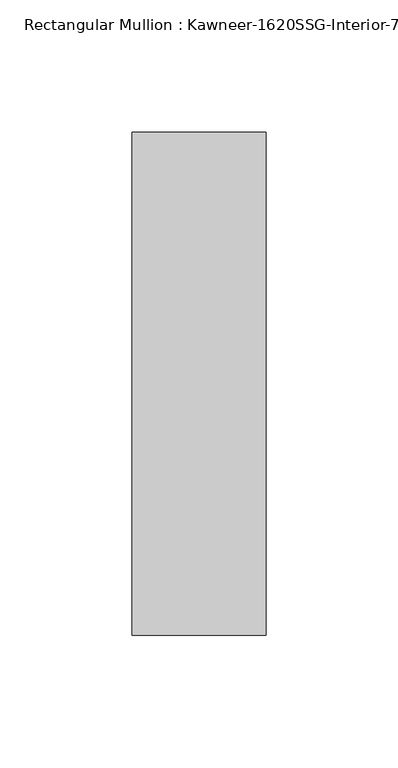
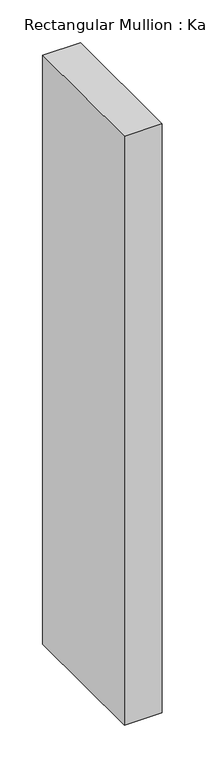
"""IFC4 building model written with IfcOpenShell, lengths in millimetres: member geometry."""

import ifcopenshell
import ifcopenshell.guid

model = None  # the IFC model being written
_history = None  # IfcOwnerHistory: only IFC2X3 demands one
_inside = {}  # id of a spatial element -> (the spatial element, [elements in it])
_under = {}  # id of a project, library or spatial element -> (it, [spatial elements below it])
_declared = {}  # id of a project -> (the project, [libraries it declares])
_typed = {}  # id of a type object -> (the type object, [elements of that type])
_made_of = {}  # id of a material, layer set ... -> (it, [elements and type objects made of it])


def new_model(schema):
    """Start an empty IFC model of exactly this schema.

    Asked for "IFC4X3", IfcOpenShell would pick the latest addendum, in which some entities
    have other attributes; the version numbers below select the first issue.
    IFC2X3 requires an IfcOwnerHistory on every rooted entity: one is made here for all.
    """
    global model, _history
    if schema == "IFC4X3":
        model = ifcopenshell.file(schema_version=(4, 3, 0, 0))
    else:
        model = ifcopenshell.file(schema=schema)
    _inside.clear()
    _under.clear()
    _declared.clear()
    _typed.clear()
    _made_of.clear()
    _history = None
    if model.schema == "IFC2X3":
        org = make("IfcOrganization", Name="unknown")
        user = make(
            "IfcPersonAndOrganization",
            ThePerson=make("IfcPerson", FamilyName="unknown"),
            TheOrganization=org,
        )
        app = make(
            "IfcApplication",
            ApplicationDeveloper=org,
            Version="unknown",
            ApplicationFullName="unknown",
            ApplicationIdentifier="unknown",
        )
        _history = make(
            "IfcOwnerHistory",
            OwningUser=user,
            OwningApplication=app,
            ChangeAction="ADDED",
            CreationDate=0,
        )
    return model


def make(cls, **values):
    """One entity of the class cls with the attributes given. An attribute that is None is left unset."""
    return model.create_entity(
        cls, **{name: value for name, value in values.items() if value is not None}
    )


def rooted(cls, **values):
    """An entity with a GlobalId (a new one), such as an element, a storey or a relation."""
    return make(cls, GlobalId=ifcopenshell.guid.new(), OwnerHistory=_history, **values)


def si_unit(unit_type, name, prefix=None):
    """IfcSIUnit, for example si_unit("LENGTHUNIT", "METRE", prefix="MILLI")."""
    return make("IfcSIUnit", UnitType=unit_type, Prefix=prefix, Name=name)


def assignment(units):
    """IfcUnitAssignment: the units of a project."""
    return None if units is None else make("IfcUnitAssignment", Units=units)


def point(xyz):
    """IfcCartesianPoint."""
    return None if xyz is None else make("IfcCartesianPoint", Coordinates=xyz)


def direction(xyz):
    """IfcDirection."""
    return None if xyz is None else make("IfcDirection", DirectionRatios=xyz)


def frame(location, z_axis=None, x_axis=None):
    """IfcAxis2Placement3D, a coordinate frame: its origin and axes. An axis left out is left unset."""
    return make(
        "IfcAxis2Placement3D",
        Location=point(location),
        Axis=direction(z_axis),
        RefDirection=direction(x_axis),
    )


def origin():
    """The frame at (0, 0, 0) with its axes left unset."""
    return frame((0.0, 0.0, 0.0))


def place(relative_to, where):
    """IfcLocalPlacement: puts the frame where relative to a parent placement (None: the world)."""
    return make(
        "IfcLocalPlacement", PlacementRelTo=relative_to, RelativePlacement=where
    )


def context(
    kind, dimensions, precision=None, world=None, true_north=None, identifier=None
):
    """IfcGeometricRepresentationContext, for example the 3D "Model" context."""
    return make(
        "IfcGeometricRepresentationContext",
        ContextIdentifier=identifier,
        ContextType=kind,
        CoordinateSpaceDimension=dimensions,
        Precision=precision,
        WorldCoordinateSystem=world,
        TrueNorth=true_north,
    )


def project(units=None, contexts=None):
    """IfcProject with its units and contexts."""
    return rooted(
        "IfcProject",
        Name="project",
        RepresentationContexts=contexts,
        UnitsInContext=assignment(units),
    )


def spatial(cls, under=None, at=None, **own):
    """A site, building, storey or space (cls), placed at a placement, below another one or the project."""
    s = rooted(cls, ObjectPlacement=at, **own)
    if under is not None:
        _under.setdefault(under.id(), (under, []))[1].append(s)
    return s


def polyline(points):
    """IfcPolyline through the points."""
    return make("IfcPolyline", Points=[point(p) for p in points])


def outline(outer, holes=None, kind="AREA"):
    """IfcArbitraryClosedProfileDef: a profile drawn as a closed curve; with holes, ...WithVoids."""
    if holes is None:
        return make("IfcArbitraryClosedProfileDef", ProfileType=kind, OuterCurve=outer)
    return make(
        "IfcArbitraryProfileDefWithVoids",
        ProfileType=kind,
        OuterCurve=outer,
        InnerCurves=holes,
    )


def extrude(swept, where, along, depth):
    """IfcExtrudedAreaSolid: the profile swept, set in the frame where, extruded along a direction by depth."""
    return make(
        "IfcExtrudedAreaSolid",
        SweptArea=swept,
        Position=where,
        ExtrudedDirection=direction(along),
        Depth=depth,
    )


def shape(context_of_items, identifier, shape_type, items):
    """IfcShapeRepresentation: the items that make up one representation, for example the "Body"."""
    return make(
        "IfcShapeRepresentation",
        ContextOfItems=context_of_items,
        RepresentationIdentifier=identifier,
        RepresentationType=shape_type,
        Items=items,
    )


def source(mapping_origin, context_of_items, identifier, shape_type, items):
    """IfcRepresentationMap: a shape defined once, which mapped items show again and again."""
    return make(
        "IfcRepresentationMap",
        MappingOrigin=mapping_origin,
        MappedRepresentation=shape(context_of_items, identifier, shape_type, items),
    )


def transform(
    local_origin,
    x_axis=None,
    y_axis=None,
    z_axis=None,
    scale=None,
    scale2=None,
    scale3=None,
    uniform=True,
):
    """IfcCartesianTransformationOperator3D, or its non-uniform kind. x_axis, y_axis, z_axis: its Axis1, 2, 3."""
    if uniform:
        return make(
            "IfcCartesianTransformationOperator3D",
            Axis1=direction(x_axis),
            Axis2=direction(y_axis),
            LocalOrigin=point(local_origin),
            Scale=scale,
            Axis3=direction(z_axis),
        )
    return make(
        "IfcCartesianTransformationOperator3DnonUniform",
        Axis1=direction(x_axis),
        Axis2=direction(y_axis),
        LocalOrigin=point(local_origin),
        Scale=scale,
        Axis3=direction(z_axis),
        Scale2=scale2,
        Scale3=scale3,
    )


def mapped(mapping_source, mapping_target):
    """IfcMappedItem: shows the shape of a source again, moved by a transform."""
    return make(
        "IfcMappedItem", MappingSource=mapping_source, MappingTarget=mapping_target
    )


def made_of(thing, what):
    """Note that an element or type object is made of a material, layer set ...; save() writes the relation."""
    if what is not None:
        _made_of.setdefault(what.id(), (what, []))[1].append(thing)
    return thing


def element(
    cls,
    number,
    at=None,
    inside=None,
    cuts=None,
    type_object=None,
    material=None,
    context=None,
    identifier="Body",
    shape_type=None,
    held_by="IfcProductDefinitionShape",
    body=None,
    shapes=None,
    **own,
):
    """One element of the class cls, such as IfcWall. Its Tag is "e" and its number.

    at: its placement. inside: the storey or other place that contains it. cuts: it is an
    opening in that element (IfcRelVoidsElement). A single representation is given by context,
    identifier, shape_type and body (its items); several are given by shapes. held_by: the class
    of the entity that holds the representations. save() writes the other relations.
    """
    e = rooted(cls, Tag="e%d" % number, ObjectPlacement=at, **own)
    if body is not None:
        shapes = [shape(context, identifier, shape_type, body)]
    if shapes is not None:
        e.Representation = make(held_by, Representations=shapes)
    if inside is not None:
        _inside.setdefault(inside.id(), (inside, []))[1].append(e)
    if cuts is not None:
        rooted(
            "IfcRelVoidsElement", RelatingBuildingElement=cuts, RelatedOpeningElement=e
        )
    if type_object is not None:
        _typed.setdefault(type_object.id(), (type_object, []))[1].append(e)
    return made_of(e, material)


def aggregate(whole, parts):
    """IfcRelAggregates: a whole, such as a stair, and the parts it consists of."""
    return rooted("IfcRelAggregates", RelatingObject=whole, RelatedObjects=parts)


def save(model, path):
    """Write the relations noted so far, then the file.

    IfcRelAggregates (storeys below a building ...), IfcRelContainedInSpatialStructure (elements
    in a storey), IfcRelDefinesByType, IfcRelAssociatesMaterial and IfcRelDeclares: one each for
    every whole, place, type object, material and project.
    """
    for whole, parts in _under.values():
        aggregate(whole, parts)
    for where, things in _inside.values():
        rooted(
            "IfcRelContainedInSpatialStructure",
            RelatedElements=things,
            RelatingStructure=where,
        )
    for kind, things in _typed.values():
        rooted("IfcRelDefinesByType", RelatedObjects=things, RelatingType=kind)
    for what, things in _made_of.values():
        rooted("IfcRelAssociatesMaterial", RelatedObjects=things, RelatingMaterial=what)
    for by, libraries in _declared.values():
        rooted("IfcRelDeclares", RelatingContext=by, RelatedDefinitions=libraries)
    model.write(path)


def member_db71f3b1(model_context):
    return source(origin(), model_context, "Body", "SweptSolid", [
        extrude(outline(polyline([(25.4, -152.4), (-25.4, -152.4), (-25.4, 38.1), (25.4, 38.1), (25.4, -152.4)])), frame((0.0, 0.0, -838.2), z_axis=(0.0, 0.0, 1.0), x_axis=(1.0, 0.0, 0.0)), (0.0, 0.0, 1.0), 838.2),
    ])


if __name__ == "__main__":
    model = new_model("IFC4")
    model_context = context("Model", 3, world=origin())
    ifc_project = project(units=[si_unit("LENGTHUNIT", "METRE", prefix="MILLI")], contexts=[model_context])
    site = spatial("IfcSite", under=ifc_project)
    building = spatial("IfcBuilding", under=site)
    placement = place(None, origin())
    member_shape = member_db71f3b1(model_context)
    element("IfcMember", 1, ObjectType="Rectangular Mullion : Kawneer-1620SSG-Interior-7.5\"-1\"Infill", at=placement, inside=building, context=model_context, shape_type="MappedRepresentation", body=[
        mapped(member_shape, transform((0.0, 0.0, 0.0), x_axis=(1.0, 0.0, 0.0), y_axis=(0.0, 1.0, 0.0), z_axis=(0.0, 0.0, 1.0))),
    ])
    save(model, "model.ifc")
